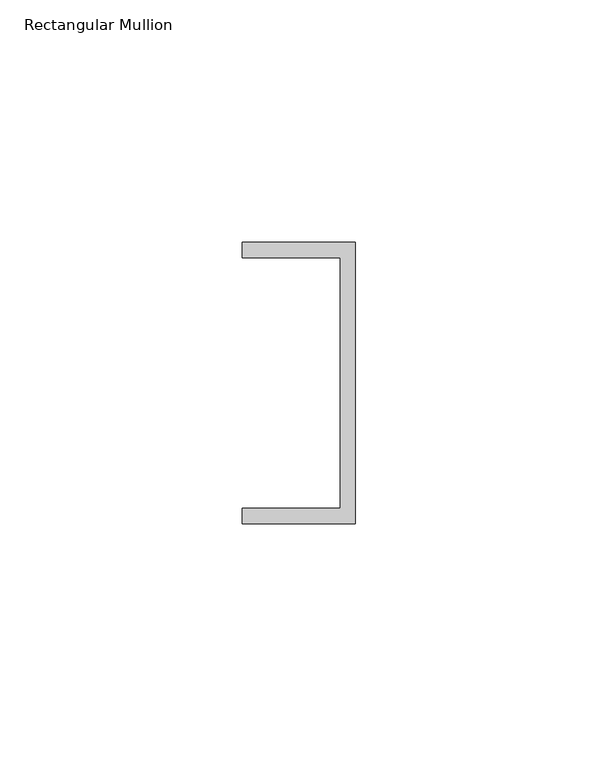
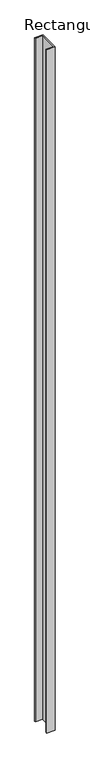
"""IFC4 building model written with IfcOpenShell, lengths in millimetres: member geometry, Rectangular Mullion."""

from ifc_helpers import new_model, si_unit, frame, origin, place, context, project, spatial, polyline, outline, extrude, source, transform, mapped, element, save


def rectangular_mullion_eb75c081(model_context):
    return source(origin(), model_context, "Body", "SweptSolid", [
        extrude(outline(polyline([(0.0, 29.0214844), (0.0, -29.0214844), (-23.3164063, -29.0214844), (-23.3164063, -25.8464844), (-3.175, -25.8464844), (-3.175, 25.8464844), (-23.3164063, 25.8464844), (-23.3164063, 29.0214844), (0.0, 29.0214844)])), frame((0.0, 0.0, -2004.0203125), z_axis=(0.0, 0.0, 1.0), x_axis=(1.0, 0.0, 0.0)), (0.0, 0.0, 1.0), 2004.0203125),
    ])


if __name__ == "__main__":
    model = new_model("IFC4")
    model_context = context("Model", 3, world=origin())
    ifc_project = project(units=[si_unit("LENGTHUNIT", "METRE", prefix="MILLI")], contexts=[model_context])
    site = spatial("IfcSite", under=ifc_project)
    building = spatial("IfcBuilding", under=site)
    placement = place(None, origin())
    rectangular_mullion_shape = rectangular_mullion_eb75c081(model_context)
    element("IfcMember", 1, ObjectType="Rectangular Mullion", at=placement, inside=building, context=model_context, shape_type="MappedRepresentation", body=[
        mapped(rectangular_mullion_shape, transform((0.0, 0.0, 0.0), x_axis=(1.0, 0.0, 0.0), y_axis=(0.0, 1.0, 0.0), z_axis=(0.0, 0.0, 1.0))),
    ])
    save(model, "model.ifc")
